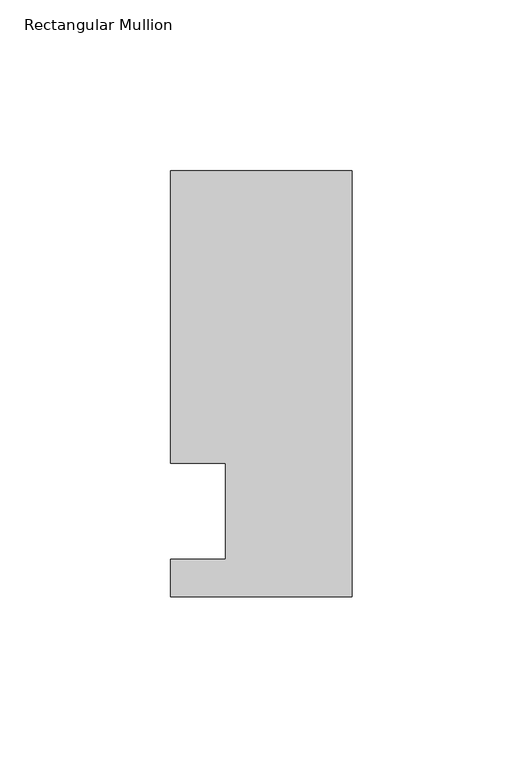
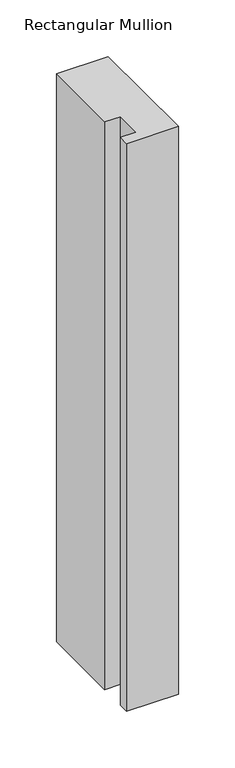
"""IFC4 building model written with IfcOpenShell, lengths in millimetres: member geometry, Rectangular Mullion."""

from ifc_helpers import new_model, si_unit, frame, origin, place, context, project, spatial, polyline, outline, extrude, source, transform, mapped, element, save


def rectangular_mullion_7c7a1780(model_context):
    return source(origin(), model_context, "Body", "SweptSolid", [
        extrude(outline(polyline([(0.0, -25.0), (-53.0, -25.0), (-53.0, -14.0), (-37.0, -14.0), (-37.0, 14.0), (-53.0, 14.0), (-53.0, 99.5), (0.0, 99.5), (0.0, -25.0)])), frame((0.0, 0.0, -613.2487586), z_axis=(0.0, 0.0, 1.0), x_axis=(1.0, 0.0, 0.0)), (0.0, 0.0, 1.0), 613.2487586),
    ])


if __name__ == "__main__":
    model = new_model("IFC4")
    model_context = context("Model", 3, world=origin())
    ifc_project = project(units=[si_unit("LENGTHUNIT", "METRE", prefix="MILLI")], contexts=[model_context])
    site = spatial("IfcSite", under=ifc_project)
    building = spatial("IfcBuilding", under=site)
    placement = place(None, origin())
    rectangular_mullion_shape = rectangular_mullion_7c7a1780(model_context)
    element("IfcMember", 1, ObjectType="Rectangular Mullion", at=placement, inside=building, context=model_context, shape_type="MappedRepresentation", body=[
        mapped(rectangular_mullion_shape, transform((0.0, 0.0, 0.0), x_axis=(1.0, 0.0, 0.0), y_axis=(0.0, 1.0, 0.0), z_axis=(0.0, 0.0, 1.0))),
    ])
    save(model, "model.ifc")
